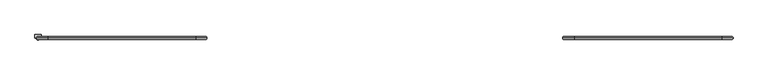
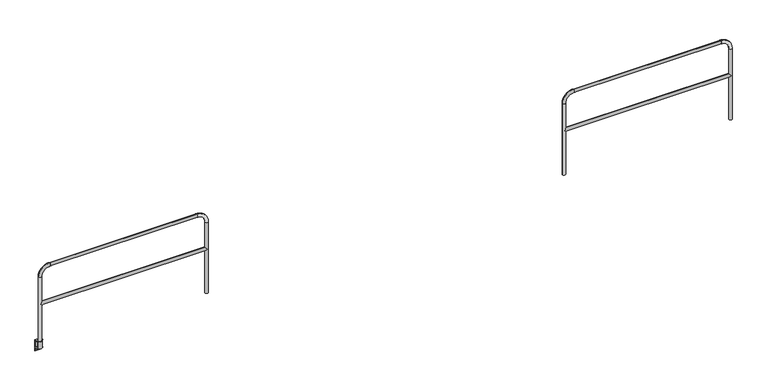
"""IFC4 building model written with IfcOpenShell, lengths in millimetres: railing geometry."""

import ifcopenshell
import ifcopenshell.guid

model = None  # the IFC model being written
_history = None  # IfcOwnerHistory: only IFC2X3 demands one
_inside = {}  # id of a spatial element -> (the spatial element, [elements in it])
_under = {}  # id of a project, library or spatial element -> (it, [spatial elements below it])
_declared = {}  # id of a project -> (the project, [libraries it declares])
_typed = {}  # id of a type object -> (the type object, [elements of that type])
_made_of = {}  # id of a material, layer set ... -> (it, [elements and type objects made of it])


def new_model(schema):
    """Start an empty IFC model of exactly this schema.

    Asked for "IFC4X3", IfcOpenShell would pick the latest addendum, in which some entities
    have other attributes; the version numbers below select the first issue.
    IFC2X3 requires an IfcOwnerHistory on every rooted entity: one is made here for all.
    """
    global model, _history
    if schema == "IFC4X3":
        model = ifcopenshell.file(schema_version=(4, 3, 0, 0))
    else:
        model = ifcopenshell.file(schema=schema)
    _inside.clear()
    _under.clear()
    _declared.clear()
    _typed.clear()
    _made_of.clear()
    _history = None
    if model.schema == "IFC2X3":
        org = make("IfcOrganization", Name="unknown")
        user = make(
            "IfcPersonAndOrganization",
            ThePerson=make("IfcPerson", FamilyName="unknown"),
            TheOrganization=org,
        )
        app = make(
            "IfcApplication",
            ApplicationDeveloper=org,
            Version="unknown",
            ApplicationFullName="unknown",
            ApplicationIdentifier="unknown",
        )
        _history = make(
            "IfcOwnerHistory",
            OwningUser=user,
            OwningApplication=app,
            ChangeAction="ADDED",
            CreationDate=0,
        )
    return model


def make(cls, **values):
    """One entity of the class cls with the attributes given. An attribute that is None is left unset."""
    return model.create_entity(
        cls, **{name: value for name, value in values.items() if value is not None}
    )


def rooted(cls, **values):
    """An entity with a GlobalId (a new one), such as an element, a storey or a relation."""
    return make(cls, GlobalId=ifcopenshell.guid.new(), OwnerHistory=_history, **values)


def si_unit(unit_type, name, prefix=None):
    """IfcSIUnit, for example si_unit("LENGTHUNIT", "METRE", prefix="MILLI")."""
    return make("IfcSIUnit", UnitType=unit_type, Prefix=prefix, Name=name)


def assignment(units):
    """IfcUnitAssignment: the units of a project."""
    return None if units is None else make("IfcUnitAssignment", Units=units)


def point(xyz):
    """IfcCartesianPoint."""
    return None if xyz is None else make("IfcCartesianPoint", Coordinates=xyz)


def direction(xyz):
    """IfcDirection."""
    return None if xyz is None else make("IfcDirection", DirectionRatios=xyz)


def frame(location, z_axis=None, x_axis=None):
    """IfcAxis2Placement3D, a coordinate frame: its origin and axes. An axis left out is left unset."""
    return make(
        "IfcAxis2Placement3D",
        Location=point(location),
        Axis=direction(z_axis),
        RefDirection=direction(x_axis),
    )


def frame_2d(location, x_axis=None):
    """IfcAxis2Placement2D, a coordinate frame in the plane: its origin and x axis."""
    return make(
        "IfcAxis2Placement2D", Location=point(location), RefDirection=direction(x_axis)
    )


def origin():
    """The frame at (0, 0, 0) with its axes left unset."""
    return frame((0.0, 0.0, 0.0))


def place(relative_to, where):
    """IfcLocalPlacement: puts the frame where relative to a parent placement (None: the world)."""
    return make(
        "IfcLocalPlacement", PlacementRelTo=relative_to, RelativePlacement=where
    )


def context(
    kind, dimensions, precision=None, world=None, true_north=None, identifier=None
):
    """IfcGeometricRepresentationContext, for example the 3D "Model" context."""
    return make(
        "IfcGeometricRepresentationContext",
        ContextIdentifier=identifier,
        ContextType=kind,
        CoordinateSpaceDimension=dimensions,
        Precision=precision,
        WorldCoordinateSystem=world,
        TrueNorth=true_north,
    )


def project(units=None, contexts=None):
    """IfcProject with its units and contexts."""
    return rooted(
        "IfcProject",
        Name="project",
        RepresentationContexts=contexts,
        UnitsInContext=assignment(units),
    )


def spatial(cls, under=None, at=None, **own):
    """A site, building, storey or space (cls), placed at a placement, below another one or the project."""
    s = rooted(cls, ObjectPlacement=at, **own)
    if under is not None:
        _under.setdefault(under.id(), (under, []))[1].append(s)
    return s


def polyline(points):
    """IfcPolyline through the points."""
    return make("IfcPolyline", Points=[point(p) for p in points])


def circle_curve(where, radius):
    """IfcCircle in the frame where."""
    return make("IfcCircle", Position=where, Radius=radius)


def ellipse_curve(where, semi_axis1, semi_axis2):
    """IfcEllipse in the frame where."""
    return make(
        "IfcEllipse", Position=where, SemiAxis1=semi_axis1, SemiAxis2=semi_axis2
    )


def trimmed(basis, trim1, trim2, sense, master):
    """IfcTrimmedCurve: the piece of a basis curve between two trims."""
    return make(
        "IfcTrimmedCurve",
        BasisCurve=basis,
        Trim1=trim1,
        Trim2=trim2,
        SenseAgreement=sense,
        MasterRepresentation=master,
    )


def segment(curve, same_sense, transition):
    """IfcCompositeCurveSegment."""
    return make(
        "IfcCompositeCurveSegment",
        Transition=transition,
        SameSense=same_sense,
        ParentCurve=curve,
    )


def composite_curve(segments, self_intersect=None):
    """IfcCompositeCurve: segments joined end to end."""
    return make("IfcCompositeCurve", Segments=segments, SelfIntersect=self_intersect)


def outline(outer, holes=None, kind="AREA"):
    """IfcArbitraryClosedProfileDef: a profile drawn as a closed curve; with holes, ...WithVoids."""
    if holes is None:
        return make("IfcArbitraryClosedProfileDef", ProfileType=kind, OuterCurve=outer)
    return make(
        "IfcArbitraryProfileDefWithVoids",
        ProfileType=kind,
        OuterCurve=outer,
        InnerCurves=holes,
    )


def extrude(swept, where, along, depth):
    """IfcExtrudedAreaSolid: the profile swept, set in the frame where, extruded along a direction by depth."""
    return make(
        "IfcExtrudedAreaSolid",
        SweptArea=swept,
        Position=where,
        ExtrudedDirection=direction(along),
        Depth=depth,
    )


def shape(context_of_items, identifier, shape_type, items):
    """IfcShapeRepresentation: the items that make up one representation, for example the "Body"."""
    return make(
        "IfcShapeRepresentation",
        ContextOfItems=context_of_items,
        RepresentationIdentifier=identifier,
        RepresentationType=shape_type,
        Items=items,
    )


def source(mapping_origin, context_of_items, identifier, shape_type, items):
    """IfcRepresentationMap: a shape defined once, which mapped items show again and again."""
    return make(
        "IfcRepresentationMap",
        MappingOrigin=mapping_origin,
        MappedRepresentation=shape(context_of_items, identifier, shape_type, items),
    )


def transform(
    local_origin,
    x_axis=None,
    y_axis=None,
    z_axis=None,
    scale=None,
    scale2=None,
    scale3=None,
    uniform=True,
):
    """IfcCartesianTransformationOperator3D, or its non-uniform kind. x_axis, y_axis, z_axis: its Axis1, 2, 3."""
    if uniform:
        return make(
            "IfcCartesianTransformationOperator3D",
            Axis1=direction(x_axis),
            Axis2=direction(y_axis),
            LocalOrigin=point(local_origin),
            Scale=scale,
            Axis3=direction(z_axis),
        )
    return make(
        "IfcCartesianTransformationOperator3DnonUniform",
        Axis1=direction(x_axis),
        Axis2=direction(y_axis),
        LocalOrigin=point(local_origin),
        Scale=scale,
        Axis3=direction(z_axis),
        Scale2=scale2,
        Scale3=scale3,
    )


def mapped(mapping_source, mapping_target):
    """IfcMappedItem: shows the shape of a source again, moved by a transform."""
    return make(
        "IfcMappedItem", MappingSource=mapping_source, MappingTarget=mapping_target
    )


def made_of(thing, what):
    """Note that an element or type object is made of a material, layer set ...; save() writes the relation."""
    if what is not None:
        _made_of.setdefault(what.id(), (what, []))[1].append(thing)
    return thing


def element(
    cls,
    number,
    at=None,
    inside=None,
    cuts=None,
    type_object=None,
    material=None,
    context=None,
    identifier="Body",
    shape_type=None,
    held_by="IfcProductDefinitionShape",
    body=None,
    shapes=None,
    **own,
):
    """One element of the class cls, such as IfcWall. Its Tag is "e" and its number.

    at: its placement. inside: the storey or other place that contains it. cuts: it is an
    opening in that element (IfcRelVoidsElement). A single representation is given by context,
    identifier, shape_type and body (its items); several are given by shapes. held_by: the class
    of the entity that holds the representations. save() writes the other relations.
    """
    e = rooted(cls, Tag="e%d" % number, ObjectPlacement=at, **own)
    if body is not None:
        shapes = [shape(context, identifier, shape_type, body)]
    if shapes is not None:
        e.Representation = make(held_by, Representations=shapes)
    if inside is not None:
        _inside.setdefault(inside.id(), (inside, []))[1].append(e)
    if cuts is not None:
        rooted(
            "IfcRelVoidsElement", RelatingBuildingElement=cuts, RelatedOpeningElement=e
        )
    if type_object is not None:
        _typed.setdefault(type_object.id(), (type_object, []))[1].append(e)
    return made_of(e, material)


def aggregate(whole, parts):
    """IfcRelAggregates: a whole, such as a stair, and the parts it consists of."""
    return rooted("IfcRelAggregates", RelatingObject=whole, RelatedObjects=parts)


def save(model, path):
    """Write the relations noted so far, then the file.

    IfcRelAggregates (storeys below a building ...), IfcRelContainedInSpatialStructure (elements
    in a storey), IfcRelDefinesByType, IfcRelAssociatesMaterial and IfcRelDeclares: one each for
    every whole, place, type object, material and project.
    """
    for whole, parts in _under.values():
        aggregate(whole, parts)
    for where, things in _inside.values():
        rooted(
            "IfcRelContainedInSpatialStructure",
            RelatedElements=things,
            RelatingStructure=where,
        )
    for kind, things in _typed.values():
        rooted("IfcRelDefinesByType", RelatedObjects=things, RelatingType=kind)
    for what, things in _made_of.values():
        rooted("IfcRelAssociatesMaterial", RelatedObjects=things, RelatingMaterial=what)
    for by, libraries in _declared.values():
        rooted("IfcRelDeclares", RelatingContext=by, RelatedDefinitions=libraries)
    model.write(path)


def plane_surface(at):
    """IfcPlane: the flat surface through the origin of the frame at, square to its z axis."""
    return make("IfcPlane", Position=at)


def cylinder_surface(at, radius):
    """IfcCylindricalSurface: all points at the distance radius from the z axis of the frame at."""
    return make("IfcCylindricalSurface", Position=at, Radius=radius)


def revolved_surface(curve, axis_point, axis_direction):
    """IfcSurfaceOfRevolution: the curve turned about the line through axis_point along axis_direction."""
    return make(
        "IfcSurfaceOfRevolution",
        SweptCurve=make("IfcArbitraryOpenProfileDef", ProfileType="CURVE", Curve=curve),
        AxisPosition=make("IfcAxis1Placement", Location=point(axis_point), Axis=direction(axis_direction)),
    )


def advanced_brep(points, edges, surfaces, faces):
    """IfcAdvancedBrep: a solid bounded by faces that lie on surfaces and meet in shared edges.

    An edge is (start, end): straight between two places in points (the first is 0);
    or (start, end, curve); or (start, end, curve, False) where it runs against its curve.
    A face is (place in surfaces, loops), or (place, loops, False) where it looks against
    its surface's normal. A loop lists edges by number (the first is 1), with a minus sign
    where the edge is run from its end to its start. The first loop is the outer one.
    """
    corners = [point(p) for p in points]
    vertices = [make("IfcVertexPoint", VertexGeometry=c) for c in corners]
    made = []
    for start, end, *more in edges:
        made.append(
            make(
                "IfcEdgeCurve",
                EdgeStart=vertices[start],
                EdgeEnd=vertices[end],
                EdgeGeometry=more[0] if more else make("IfcPolyline", Points=[corners[start], corners[end]]),
                SameSense=more[1] if len(more) > 1 else True,
            )
        )
    hull = []
    for where, loops, *sense in faces:
        bounds = []
        for j, loop in enumerate(loops):
            ring = [make("IfcOrientedEdge", EdgeElement=made[abs(k) - 1], Orientation=k > 0) for k in loop]
            bounds.append(
                make(
                    "IfcFaceOuterBound" if j == 0 else "IfcFaceBound",
                    Bound=make("IfcEdgeLoop", EdgeList=ring),
                    Orientation=True,
                )
            )
        hull.append(make("IfcAdvancedFace", Bounds=bounds, FaceSurface=surfaces[where], SameSense=sense[0] if sense else True))
    return make("IfcAdvancedBrep", Outer=make("IfcClosedShell", CfsFaces=hull))


def railing_48888050(model_context):
    return source(origin(), model_context, "Body", "SolidModel", [
        advanced_brep(
        [(47248.7496377, 12393.0551937, 554.0375), (47228.1121377, 12372.4176937, 533.4), (47248.7496377, 12393.0551937, 512.7625), (49452.1996377, 12393.0551937, 512.7625), (49472.8371377, 12372.4176937, 533.4), (49452.1996377, 12393.0551937, 554.0375), (49472.8371377, 12413.6926937, 533.4), (47228.1121377, 12413.6926937, 533.4), (47207.4746377, 12393.0551937, -95.25), (47248.7496377, 12393.0551937, -95.25), (47248.7496377, 12393.0551937, 914.4), (47207.4746377, 12393.0551937, 914.4), (47359.8746377, 12393.0551937, 1025.525), (47359.8746377, 12393.0551937, 1066.8), (49341.0746377, 12393.0551937, 1025.525), (49341.0746377, 12393.0551937, 1066.8), (49452.1996377, 12393.0551937, 914.4), (49493.4746377, 12393.0551937, 914.4), (49493.4746377, 12393.0551937, -95.25), (49452.1996377, 12393.0551937, -95.25)],
        [
            (0, 1, ellipse_curve(frame((47228.1121377, 12393.0551937, 533.4), z_axis=(0.7071067811865475, 0.0, -0.7071067811865475), x_axis=(-0.7071067811865476, 0.0, -0.7071067811865474)), 29.1858324, 20.6375)),
            (1, 2, ellipse_curve(frame((47228.1121377, 12393.0551937, 533.4), z_axis=(0.7071067811865475, 0.0, 0.7071067811865475), x_axis=(-0.7071067811865476, 0.0, 0.7071067811865474)), 29.1858324, 20.6375)),
            (2, 3),
            (3, 4, ellipse_curve(frame((49472.8371377, 12393.0551937, 533.4), z_axis=(-0.7071067811865475, 0.0, 0.7071067811865475), x_axis=(-0.7071067811865476, 0.0, -0.7071067811865474)), 29.1858324, 20.6375)),
            (4, 5, ellipse_curve(frame((49472.8371377, 12393.0551937, 533.4), z_axis=(-0.7071067811865475, 0.0, -0.7071067811865475), x_axis=(-0.7071067811865476, 0.0, 0.7071067811865474)), 29.1858324, 20.6375)),
            (5, 0),
            (5, 6, ellipse_curve(frame((49472.8371377, 12393.0551937, 533.4), z_axis=(-0.7071067811865475, 0.0, -0.7071067811865475), x_axis=(-0.7071067811865476, 0.0, 0.7071067811865474)), 29.1858324, 20.6375)),
            (6, 3, ellipse_curve(frame((49472.8371377, 12393.0551937, 533.4), z_axis=(-0.7071067811865475, 0.0, 0.7071067811865475), x_axis=(-0.7071067811865476, 0.0, -0.7071067811865474)), 29.1858324, 20.6375)),
            (2, 7, ellipse_curve(frame((47228.1121377, 12393.0551937, 533.4), z_axis=(0.7071067811865475, 0.0, 0.7071067811865475), x_axis=(-0.7071067811865476, 0.0, 0.7071067811865474)), 29.1858324, 20.6375)),
            (7, 0, ellipse_curve(frame((47228.1121377, 12393.0551937, 533.4), z_axis=(0.7071067811865475, 0.0, -0.7071067811865475), x_axis=(-0.7071067811865476, 0.0, -0.7071067811865474)), 29.1858324, 20.6375)),
            (8, 9, circle_curve(frame((47228.1121377, 12393.0551937, -95.25), z_axis=(0.0, 0.0, -1.0), x_axis=(1.0, 0.0, 0.0)), 20.6375)),
            (9, 8, circle_curve(frame((47228.1121377, 12393.0551937, -95.25), z_axis=(0.0, 0.0, -1.0), x_axis=(1.0, 0.0, 0.0)), 20.6375)),
            (9, 2),
            (0, 10),
            (10, 11, circle_curve(frame((47228.1121377, 12393.0551937, 914.4), z_axis=(0.0, 0.0, -1.0), x_axis=(1.0, 0.0, 0.0)), 20.6375)),
            (11, 8),
            (11, 10, circle_curve(frame((47228.1121377, 12393.0551937, 914.4), z_axis=(0.0, 0.0, -1.0), x_axis=(1.0, 0.0, 0.0)), 20.6375)),
            (10, 12, circle_curve(frame((47359.8746377, 12393.0551937, 914.4), z_axis=(0.0, 1.0, 0.0), x_axis=(-1.0, 0.0, 0.0)), 111.125)),
            (12, 13, circle_curve(frame((47359.8746377, 12393.0551937, 1046.1625), z_axis=(-1.0, 0.0, 0.0), x_axis=(0.0, 0.0, -1.0)), 20.6375)),
            (13, 11, circle_curve(frame((47359.8746377, 12393.0551937, 914.4), z_axis=(0.0, -1.0, 0.0), x_axis=(-1.0, 0.0, 0.0)), 152.4)),
            (13, 12, circle_curve(frame((47359.8746377, 12393.0551937, 1046.1625), z_axis=(-1.0, 0.0, 0.0), x_axis=(0.0, 0.0, -1.0)), 20.6375)),
            (12, 14),
            (14, 15, circle_curve(frame((49341.0746377, 12393.0551937, 1046.1625), z_axis=(-1.0, 0.0, 0.0), x_axis=(0.0, 0.0, -1.0)), 20.6375)),
            (15, 13),
            (15, 14, circle_curve(frame((49341.0746377, 12393.0551937, 1046.1625), z_axis=(-1.0, 0.0, 0.0), x_axis=(0.0, 0.0, -1.0)), 20.6375)),
            (14, 16, circle_curve(frame((49341.0746377, 12393.0551937, 914.4), z_axis=(0.0, 1.0, 0.0), x_axis=(0.0, 0.0, 1.0)), 111.125)),
            (16, 17, circle_curve(frame((49472.8371377, 12393.0551937, 914.4), z_axis=(0.0, 0.0, 1.0), x_axis=(-1.0, 0.0, 0.0)), 20.6375)),
            (17, 15, circle_curve(frame((49341.0746377, 12393.0551937, 914.4), z_axis=(0.0, -1.0, 0.0), x_axis=(0.0, 0.0, 1.0)), 152.4)),
            (17, 16, circle_curve(frame((49472.8371377, 12393.0551937, 914.4), z_axis=(0.0, 0.0, 1.0), x_axis=(-1.0, 0.0, 0.0)), 20.6375)),
            (18, 19, circle_curve(frame((49472.8371377, 12393.0551937, -95.25), z_axis=(0.0, 0.0, -1.0), x_axis=(-1.0, 0.0, 0.0)), 20.6375)),
            (19, 18, circle_curve(frame((49472.8371377, 12393.0551937, -95.25), z_axis=(0.0, 0.0, -1.0), x_axis=(-1.0, 0.0, 0.0)), 20.6375)),
            (16, 5),
            (3, 19),
            (18, 17),
        ],
        [
            cylinder_surface(frame((47228.1121377, 12393.0551937, 533.4), z_axis=(-1.0, 0.0, 0.0), x_axis=(0.0, 0.0, -1.0)), 20.6375),
            plane_surface(frame((47207.4746377, 12393.0551937, -95.25), z_axis=(0.0, 0.0, -1.0), x_axis=(0.0, -1.0, 0.0))),
            cylinder_surface(frame((47228.1121377, 12393.0551937, -95.25), z_axis=(0.0, 0.0, -1.0), x_axis=(1.0, 0.0, 0.0)), 20.6375),
            revolved_surface(trimmed(ellipse_curve(frame((47228.1121377, 12393.0551937, 914.4), z_axis=(0.0, 0.0, 1.0), x_axis=(1.0, 0.0, 0.0)), 20.6375, 20.6375), [point((47207.4746377, 12393.0551937, 914.4))], [point((47248.7496377, 12393.0551937, 914.4))], True, "CARTESIAN"), (47359.8746377, 12393.0551937, 914.4), (0.0, -1.0, 0.0)),
            revolved_surface(trimmed(ellipse_curve(frame((47228.1121377, 12393.0551937, 914.4), z_axis=(0.0, 0.0, 1.0), x_axis=(1.0, 0.0, 0.0)), 20.6375, 20.6375), [point((47248.7496377, 12393.0551937, 914.4))], [point((47207.4746377, 12393.0551937, 914.4))], True, "CARTESIAN"), (47359.8746377, 12393.0551937, 914.4), (0.0, -1.0, 0.0)),
            cylinder_surface(frame((47359.8746377, 12393.0551937, 1046.1625), z_axis=(-1.0, 0.0, 0.0), x_axis=(0.0, 0.0, -1.0)), 20.6375),
            revolved_surface(trimmed(ellipse_curve(frame((49341.0746377, 12393.0551937, 1046.1625), z_axis=(1.0, 0.0, 0.0), x_axis=(0.0, 0.0, -1.0)), 20.6375, 20.6375), [point((49341.0746377, 12393.0551937, 1066.8))], [point((49341.0746377, 12393.0551937, 1025.525))], True, "CARTESIAN"), (49341.0746377, 12393.0551937, 914.4), (0.0, -1.0, 0.0)),
            revolved_surface(trimmed(ellipse_curve(frame((49341.0746377, 12393.0551937, 1046.1625), z_axis=(1.0, 0.0, 0.0), x_axis=(0.0, 0.0, -1.0)), 20.6375, 20.6375), [point((49341.0746377, 12393.0551937, 1025.525))], [point((49341.0746377, 12393.0551937, 1066.8))], True, "CARTESIAN"), (49341.0746377, 12393.0551937, 914.4), (0.0, -1.0, 0.0)),
            plane_surface(frame((49493.4746377, 12393.0551937, -95.25), z_axis=(0.0, 0.0, -1.0), x_axis=(0.0, -1.0, 0.0))),
            cylinder_surface(frame((49472.8371377, 12393.0551937, 914.4), z_axis=(0.0, 0.0, 1.0), x_axis=(-1.0, 0.0, 0.0)), 20.6375),
        ],
        [
            (0, [[1, 2, 3, 4, 5, 6]]),
            (0, [[7, 8, -3, 9, 10, -6]]),
            (1, [[11, 12]]),
            (2, [[13, -2, -1, 14, 15, 16, -12]]),
            (2, [[-16, 17, -14, -10, -9, -13, -11]]),
            (3, [[18, 19, 20, -15]]),
            (4, [[-20, 21, -18, -17]]),
            (5, [[22, 23, 24, -19]]),
            (5, [[-24, 25, -22, -21]]),
            (6, [[26, 27, 28, -23]]),
            (7, [[-28, 29, -26, -25]]),
            (8, [[30, 31]]),
            (9, [[32, -5, -4, 33, -30, 34, -27]]),
            (9, [[-34, -31, -33, -8, -7, -32, -29]]),
        ],
    ),
        advanced_brep(
        [(40129.3536744, 12431.1551937, 0.0), (40129.3536744, 12393.0551937, 0.0), (40129.3536744, 12393.0551937, 6.35), (40129.3536744, 12437.5051937, 6.35), (40129.3536744, 12437.5051937, -152.4), (40129.3536744, 12431.1551937, -152.4), (40129.3536744, 12431.1551937, -101.6), (40129.3536744, 12393.0551937, -101.6), (40129.3536744, 12393.0551937, -95.25), (40129.3536744, 12431.1551937, -95.25), (40212.090601, 12431.1551937, 0.0), (40212.090601, 12431.1551937, -95.25), (40212.090601, 12393.0551937, -95.25), (40212.090601, 12393.0551937, -101.6), (40212.090601, 12431.1551937, -101.6), (40212.090601, 12431.1551937, -152.4), (40212.090601, 12437.5051937, -152.4), (40212.090601, 12437.5051937, 6.35), (40212.090601, 12393.0551937, 6.35), (40212.090601, 12393.0551937, 0.0), (40143.7346377, 12393.0551937, 0.0), (40143.7346377, 12393.0551937, 6.35), (40197.7096377, 12393.0551937, 6.35), (40197.7096377, 12393.0551937, 0.0), (40143.7346377, 12393.0551937, -95.25), (40197.7096377, 12393.0551937, -95.25)],
        [
            (0, 1),
            (1, 2),
            (2, 3),
            (3, 4),
            (4, 5),
            (5, 6),
            (6, 7),
            (7, 8),
            (8, 9),
            (9, 0),
            (10, 11),
            (11, 12),
            (12, 13),
            (13, 14),
            (14, 15),
            (15, 16),
            (16, 17),
            (17, 18),
            (18, 19),
            (19, 10),
            (1, 20),
            (20, 21),
            (21, 2),
            (18, 22),
            (22, 23),
            (23, 19),
            (21, 22, circle_curve(frame((40170.7221377, 12393.0551937, 6.35), z_axis=(0.0, 0.0, -1.0), x_axis=(-1.0, 0.0, 0.0)), 26.9875)),
            (17, 3),
            (0, 10),
            (23, 20, circle_curve(frame((40170.7221377, 12393.0551937, 0.0), z_axis=(0.0, 0.0, 1.0), x_axis=(-1.0, 0.0, 0.0)), 26.9875)),
            (16, 4),
            (8, 24),
            (24, 25),
            (25, 12),
            (11, 9),
            (7, 13),
            (6, 14),
            (5, 15),
        ],
        [
            plane_surface(frame((40129.3536744, 12437.5051937, 0.0), z_axis=(-1.0, 0.0, 0.0), x_axis=(0.0, 0.0, 1.0))),
            plane_surface(frame((40212.090601, 12437.5051937, 0.0), z_axis=(1.0, 0.0, 0.0), x_axis=(0.0, 0.0, 1.0))),
            plane_surface(frame((40129.3536744, 12393.0551937, 6.35), z_axis=(0.0, -1.0, 0.0), x_axis=(1.0, 0.0, 0.0))),
            plane_surface(frame((40129.3536744, 12437.5051937, 6.35), z_axis=(0.0, 0.0, 1.0), x_axis=(1.0, 0.0, 0.0))),
            plane_surface(frame((40129.3536744, 12393.0551937, 0.0), z_axis=(0.0, 0.0, -1.0), x_axis=(1.0, 0.0, 0.0))),
            plane_surface(frame((40129.3536744, 12437.5051937, -152.4), z_axis=(0.0, 1.0, 0.0), x_axis=(1.0, 0.0, 0.0))),
            plane_surface(frame((40129.3536744, 12431.1551937, -95.25), z_axis=(0.0, 0.0, 1.0), x_axis=(1.0, 0.0, 0.0))),
            plane_surface(frame((40129.3536744, 12393.0551937, -95.25), z_axis=(0.0, -1.0, 0.0), x_axis=(1.0, 0.0, 0.0))),
            plane_surface(frame((40129.3536744, 12393.0551937, -101.6), z_axis=(0.0, 0.0, -1.0), x_axis=(1.0, 0.0, 0.0))),
            revolved_surface(polyline([(40143.7346377, 12393.0551937, 6.349999999999994), (40143.7346377, 12393.0551937, 0.0)]), (40170.7221377, 12393.0551937, -95.25), (0.0, 0.0, 1.0)),
            plane_surface(frame((40129.3536744, 12431.1551937, -101.6), z_axis=(0.0, -1.0, 0.0), x_axis=(1.0, 0.0, 0.0))),
            plane_surface(frame((40129.3536744, 12431.1551937, -152.4), z_axis=(0.0, 0.0, -1.0), x_axis=(1.0, 0.0, 0.0))),
            plane_surface(frame((40129.3536744, 12431.1551937, 0.0), z_axis=(0.0, -1.0, 0.0), x_axis=(1.0, 0.0, 0.0))),
        ],
        [
            (0, [[1, 2, 3, 4, 5, 6, 7, 8, 9, 10]]),
            (1, [[11, 12, 13, 14, 15, 16, 17, 18, 19, 20]]),
            (2, [[21, 22, 23, -2]]),
            (2, [[24, 25, 26, -19]]),
            (3, [[-23, 27, -24, -18, 28, -3]]),
            (4, [[29, -20, -26, 30, -21, -1]]),
            (5, [[-28, -17, 31, -4]]),
            (6, [[32, 33, 34, -12, 35, -9]]),
            (7, [[36, -13, -34, -33, -32, -8]]),
            (8, [[37, -14, -36, -7]]),
            (9, [[-27, -22, -30, -25]]),
            (10, [[38, -15, -37, -6]]),
            (11, [[-31, -16, -38, -5]]),
            (12, [[-35, -11, -29, -10]]),
        ],
    ),
        extrude(outline(composite_curve([segment(trimmed(circle_curve(frame_2d((40170.7221377, 12393.0551937)), 26.9875), [point((40197.7096377, 12393.0551937))], [point((40143.7346377, 12393.0551937))], False, "CARTESIAN"), True, "CONTINUOUS"), segment(trimmed(circle_curve(frame_2d((40170.7221377, 12393.0551937)), 26.9875), [point((40143.7346377, 12393.0551937))], [point((40197.7096377, 12393.0551937))], False, "CARTESIAN"), True, "CONTINUOUS")], self_intersect=False), holes=[composite_curve([segment(trimmed(circle_curve(frame_2d((40170.7221377, 12393.0551937)), 20.6375), [point((40191.3596377, 12393.0551937))], [point((40150.0846377, 12393.0551937))], True, "CARTESIAN"), True, "CONTINUOUS"), segment(trimmed(circle_curve(frame_2d((40170.7221377, 12393.0551937)), 20.6375), [point((40150.0846377, 12393.0551937))], [point((40191.3596377, 12393.0551937))], True, "CARTESIAN"), True, "CONTINUOUS")], self_intersect=False)]), frame((0.0, 0.0, -95.25), z_axis=(0.0, 0.0, 1.0), x_axis=(1.0, 0.0, 0.0)), (0.0, 0.0, 1.0), 101.6),
        advanced_brep(
        [(40191.3596377, 12393.0551937, 554.0375), (40170.7221377, 12372.4176937, 533.4), (40191.3596377, 12393.0551937, 512.7625), (42394.8096377, 12393.0551937, 512.7625), (42415.4471377, 12372.4176937, 533.4), (42394.8096377, 12393.0551937, 554.0375), (42415.4471377, 12413.6926937, 533.4), (40170.7221377, 12413.6926937, 533.4), (40150.0846377, 12393.0551937, -95.25), (40191.3596377, 12393.0551937, -95.25), (40191.3596377, 12393.0551937, 914.4), (40150.0846377, 12393.0551937, 914.4), (40302.4846377, 12393.0551937, 1025.525), (40302.4846377, 12393.0551937, 1066.8), (42283.6846377, 12393.0551937, 1025.525), (42283.6846377, 12393.0551937, 1066.8), (42394.8096377, 12393.0551937, 914.4), (42436.0846377, 12393.0551937, 914.4), (42436.0846377, 12393.0551937, -95.25), (42394.8096377, 12393.0551937, -95.25)],
        [
            (0, 1, ellipse_curve(frame((40170.7221377, 12393.0551937, 533.4), z_axis=(0.7071067811865475, 0.0, -0.7071067811865475), x_axis=(-0.7071067811865476, 0.0, -0.7071067811865474)), 29.1858324, 20.6375)),
            (1, 2, ellipse_curve(frame((40170.7221377, 12393.0551937, 533.4), z_axis=(0.7071067811865475, 0.0, 0.7071067811865475), x_axis=(-0.7071067811865476, 0.0, 0.7071067811865474)), 29.1858324, 20.6375)),
            (2, 3),
            (3, 4, ellipse_curve(frame((42415.4471377, 12393.0551937, 533.4), z_axis=(-0.7071067811865475, 0.0, 0.7071067811865475), x_axis=(-0.7071067811865476, 0.0, -0.7071067811865474)), 29.1858324, 20.6375)),
            (4, 5, ellipse_curve(frame((42415.4471377, 12393.0551937, 533.4), z_axis=(-0.7071067811865475, 0.0, -0.7071067811865475), x_axis=(-0.7071067811865476, 0.0, 0.7071067811865474)), 29.1858324, 20.6375)),
            (5, 0),
            (5, 6, ellipse_curve(frame((42415.4471377, 12393.0551937, 533.4), z_axis=(-0.7071067811865475, 0.0, -0.7071067811865475), x_axis=(-0.7071067811865476, 0.0, 0.7071067811865474)), 29.1858324, 20.6375)),
            (6, 3, ellipse_curve(frame((42415.4471377, 12393.0551937, 533.4), z_axis=(-0.7071067811865475, 0.0, 0.7071067811865475), x_axis=(-0.7071067811865476, 0.0, -0.7071067811865474)), 29.1858324, 20.6375)),
            (2, 7, ellipse_curve(frame((40170.7221377, 12393.0551937, 533.4), z_axis=(0.7071067811865475, 0.0, 0.7071067811865475), x_axis=(-0.7071067811865476, 0.0, 0.7071067811865474)), 29.1858324, 20.6375)),
            (7, 0, ellipse_curve(frame((40170.7221377, 12393.0551937, 533.4), z_axis=(0.7071067811865475, 0.0, -0.7071067811865475), x_axis=(-0.7071067811865476, 0.0, -0.7071067811865474)), 29.1858324, 20.6375)),
            (8, 9, circle_curve(frame((40170.7221377, 12393.0551937, -95.25), z_axis=(0.0, 0.0, -1.0), x_axis=(1.0, 0.0, 0.0)), 20.6375)),
            (9, 8, circle_curve(frame((40170.7221377, 12393.0551937, -95.25), z_axis=(0.0, 0.0, -1.0), x_axis=(1.0, 0.0, 0.0)), 20.6375)),
            (9, 2),
            (0, 10),
            (10, 11, circle_curve(frame((40170.7221377, 12393.0551937, 914.4), z_axis=(0.0, 0.0, -1.0), x_axis=(1.0, 0.0, 0.0)), 20.6375)),
            (11, 8),
            (11, 10, circle_curve(frame((40170.7221377, 12393.0551937, 914.4), z_axis=(0.0, 0.0, -1.0), x_axis=(1.0, 0.0, 0.0)), 20.6375)),
            (10, 12, circle_curve(frame((40302.4846377, 12393.0551937, 914.4), z_axis=(0.0, 1.0, 0.0), x_axis=(-1.0, 0.0, 0.0)), 111.125)),
            (12, 13, circle_curve(frame((40302.4846377, 12393.0551937, 1046.1625), z_axis=(-1.0, 0.0, 0.0), x_axis=(0.0, 0.0, -1.0)), 20.6375)),
            (13, 11, circle_curve(frame((40302.4846377, 12393.0551937, 914.4), z_axis=(0.0, -1.0, 0.0), x_axis=(-1.0, 0.0, 0.0)), 152.4)),
            (13, 12, circle_curve(frame((40302.4846377, 12393.0551937, 1046.1625), z_axis=(-1.0, 0.0, 0.0), x_axis=(0.0, 0.0, -1.0)), 20.6375)),
            (12, 14),
            (14, 15, circle_curve(frame((42283.6846377, 12393.0551937, 1046.1625), z_axis=(-1.0, 0.0, 0.0), x_axis=(0.0, 0.0, -1.0)), 20.6375)),
            (15, 13),
            (15, 14, circle_curve(frame((42283.6846377, 12393.0551937, 1046.1625), z_axis=(-1.0, 0.0, 0.0), x_axis=(0.0, 0.0, -1.0)), 20.6375)),
            (14, 16, circle_curve(frame((42283.6846377, 12393.0551937, 914.4), z_axis=(0.0, 1.0, 0.0), x_axis=(0.0, 0.0, 1.0)), 111.125)),
            (16, 17, circle_curve(frame((42415.4471377, 12393.0551937, 914.4), z_axis=(0.0, 0.0, 1.0), x_axis=(-1.0, 0.0, 0.0)), 20.6375)),
            (17, 15, circle_curve(frame((42283.6846377, 12393.0551937, 914.4), z_axis=(0.0, -1.0, 0.0), x_axis=(0.0, 0.0, 1.0)), 152.4)),
            (17, 16, circle_curve(frame((42415.4471377, 12393.0551937, 914.4), z_axis=(0.0, 0.0, 1.0), x_axis=(-1.0, 0.0, 0.0)), 20.6375)),
            (18, 19, circle_curve(frame((42415.4471377, 12393.0551937, -95.25), z_axis=(0.0, 0.0, -1.0), x_axis=(-1.0, 0.0, 0.0)), 20.6375)),
            (19, 18, circle_curve(frame((42415.4471377, 12393.0551937, -95.25), z_axis=(0.0, 0.0, -1.0), x_axis=(-1.0, 0.0, 0.0)), 20.6375)),
            (16, 5),
            (3, 19),
            (18, 17),
        ],
        [
            cylinder_surface(frame((40170.7221377, 12393.0551937, 533.4), z_axis=(-1.0, 0.0, 0.0), x_axis=(0.0, 0.0, -1.0)), 20.6375),
            plane_surface(frame((40150.0846377, 12393.0551937, -95.25), z_axis=(0.0, 0.0, -1.0), x_axis=(0.0, -1.0, 0.0))),
            cylinder_surface(frame((40170.7221377, 12393.0551937, -95.25), z_axis=(0.0, 0.0, -1.0), x_axis=(1.0, 0.0, 0.0)), 20.6375),
            revolved_surface(trimmed(ellipse_curve(frame((40170.7221377, 12393.0551937, 914.4), z_axis=(0.0, 0.0, 1.0), x_axis=(1.0, 0.0, 0.0)), 20.6375, 20.6375), [point((40150.0846377, 12393.0551937, 914.4))], [point((40191.3596377, 12393.0551937, 914.4))], True, "CARTESIAN"), (40302.4846377, 12393.0551937, 914.4), (0.0, -1.0, 0.0)),
            revolved_surface(trimmed(ellipse_curve(frame((40170.7221377, 12393.0551937, 914.4), z_axis=(0.0, 0.0, 1.0), x_axis=(1.0, 0.0, 0.0)), 20.6375, 20.6375), [point((40191.3596377, 12393.0551937, 914.4))], [point((40150.0846377, 12393.0551937, 914.4))], True, "CARTESIAN"), (40302.4846377, 12393.0551937, 914.4), (0.0, -1.0, 0.0)),
            cylinder_surface(frame((40302.4846377, 12393.0551937, 1046.1625), z_axis=(-1.0, 0.0, 0.0), x_axis=(0.0, 0.0, -1.0)), 20.6375),
            revolved_surface(trimmed(ellipse_curve(frame((42283.6846377, 12393.0551937, 1046.1625), z_axis=(1.0, 0.0, 0.0), x_axis=(0.0, 0.0, -1.0)), 20.6375, 20.6375), [point((42283.6846377, 12393.0551937, 1066.8))], [point((42283.6846377, 12393.0551937, 1025.525))], True, "CARTESIAN"), (42283.6846377, 12393.0551937, 914.4), (0.0, -1.0, 0.0)),
            revolved_surface(trimmed(ellipse_curve(frame((42283.6846377, 12393.0551937, 1046.1625), z_axis=(1.0, 0.0, 0.0), x_axis=(0.0, 0.0, -1.0)), 20.6375, 20.6375), [point((42283.6846377, 12393.0551937, 1025.525))], [point((42283.6846377, 12393.0551937, 1066.8))], True, "CARTESIAN"), (42283.6846377, 12393.0551937, 914.4), (0.0, -1.0, 0.0)),
            plane_surface(frame((42436.0846377, 12393.0551937, -95.25), z_axis=(0.0, 0.0, -1.0), x_axis=(0.0, -1.0, 0.0))),
            cylinder_surface(frame((42415.4471377, 12393.0551937, 914.4), z_axis=(0.0, 0.0, 1.0), x_axis=(-1.0, 0.0, 0.0)), 20.6375),
        ],
        [
            (0, [[1, 2, 3, 4, 5, 6]]),
            (0, [[7, 8, -3, 9, 10, -6]]),
            (1, [[11, 12]]),
            (2, [[13, -2, -1, 14, 15, 16, -12]]),
            (2, [[-16, 17, -14, -10, -9, -13, -11]]),
            (3, [[18, 19, 20, -15]]),
            (4, [[-20, 21, -18, -17]]),
            (5, [[22, 23, 24, -19]]),
            (5, [[-24, 25, -22, -21]]),
            (6, [[26, 27, 28, -23]]),
            (7, [[-28, 29, -26, -25]]),
            (8, [[30, 31]]),
            (9, [[32, -5, -4, 33, -30, 34, -27]]),
            (9, [[-34, -31, -33, -8, -7, -32, -29]]),
        ],
    ),
    ])


if __name__ == "__main__":
    model = new_model("IFC4")
    model_context = context("Model", 3, world=origin())
    ifc_project = project(units=[si_unit("LENGTHUNIT", "METRE", prefix="MILLI")], contexts=[model_context])
    site = spatial("IfcSite", under=ifc_project)
    building = spatial("IfcBuilding", under=site)
    placement = place(None, origin())
    railing_shape = railing_48888050(model_context)
    element("IfcRailing", 1, at=placement, inside=building, context=model_context, shape_type="MappedRepresentation", body=[
        mapped(railing_shape, transform((0.0, 0.0, 0.0), x_axis=(1.0, 0.0, 0.0), y_axis=(0.0, 1.0, 0.0), z_axis=(0.0, 0.0, 1.0))),
    ])
    save(model, "model.ifc")
